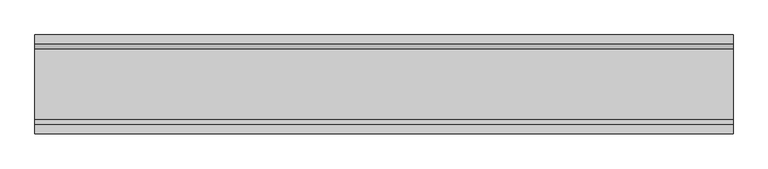
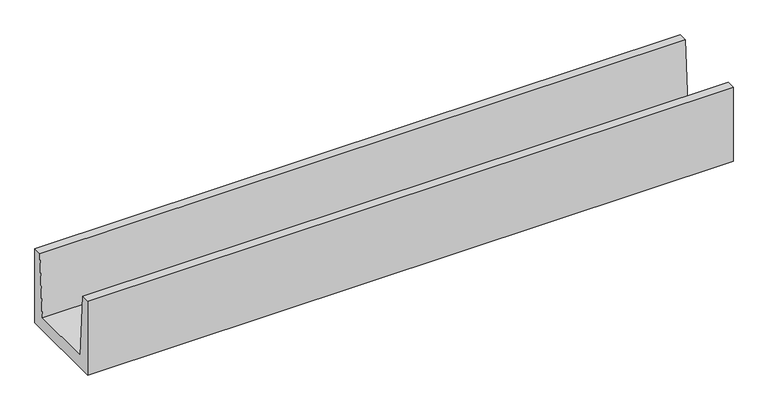
"""IFC4 building model written with IfcOpenShell, lengths in millimetres: proxy geometry."""

from ifc_helpers import new_model, si_unit, frame, origin, place, context, project, spatial, polyline, outline, extrude, source, transform, mapped, element, save


def generic_models_1711ff99(model_context):
    return source(origin(), model_context, "Body", "SweptSolid", [
        extrude(outline(polyline([(170.0, 360.0), (210.0, 360.0), (210.0, 0.0), (-210.0, 0.0), (-210.0, 360.0), (-170.0, 360.0), (-150.0, 60.0), (150.0, 60.0), (170.0, 360.0)])), frame((-1485.0, 0.0, 0.0), z_axis=(1.0, 0.0, 0.0), x_axis=(0.0, 1.0, 0.0)), (0.0, 0.0, 1.0), 2970.0),
    ])


if __name__ == "__main__":
    model = new_model("IFC4")
    model_context = context("Model", 3, world=origin())
    ifc_project = project(units=[si_unit("LENGTHUNIT", "METRE", prefix="MILLI")], contexts=[model_context])
    site = spatial("IfcSite", under=ifc_project)
    building = spatial("IfcBuilding", under=site)
    placement = place(None, origin())
    generic_models_shape = generic_models_1711ff99(model_context)
    element("IfcBuildingElementProxy", 1, Name="Generic Models", at=placement, inside=building, context=model_context, shape_type="MappedRepresentation", body=[
        mapped(generic_models_shape, transform((0.0, 0.0, 0.0), x_axis=(1.0, 0.0, 0.0), y_axis=(0.0, 1.0, 0.0), z_axis=(0.0, 0.0, 1.0))),
    ])
    save(model, "model.ifc")
